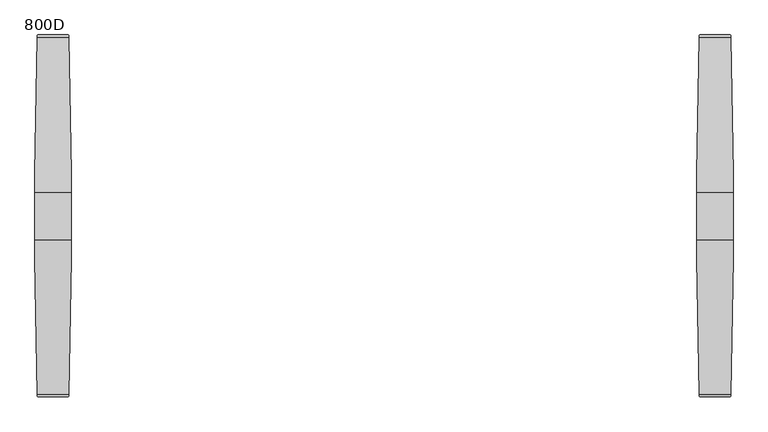
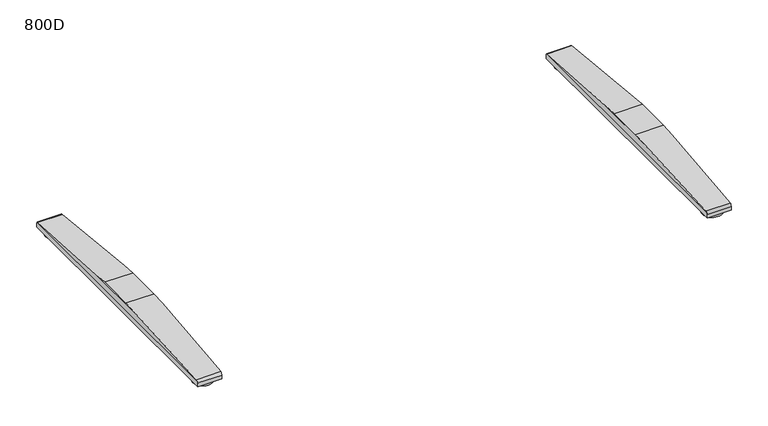
"""IFC4 building model written with IfcOpenShell, lengths in millimetres: furniture geometry, 800D."""

from ifc_helpers import new_model, si_unit, point, frame, frame_2d, origin, origin_with_axes, place, context, project, spatial, circle_curve, ellipse_curve, trimmed, segment, composite_curve, outline, extrude, source, transform, mapped, element, save
from ifc_brep_helpers import plane_surface, cylinder_surface, advanced_brep


def furniture_800d_f522eee3(model_context):
    return source(origin(), model_context, "Body", "SolidModel", [
        advanced_brep(
        [(605.0040816, -45.9999756, 50.0000004), (605.0040816, 45.9999756, 50.0000004), (605.0040816, 82.452717, 47.0022421), (605.0040816, -82.4527181, 47.0022421), (675.0, 45.9999756, 50.0000004), (675.0, -45.9999756, 50.0000004), (675.0, -82.6981674, 46.9820571), (675.0, 82.6981662, 46.9820571), (670.6498787, 344.4917542, 25.4529794), (609.3582815, 344.4917542, 25.4529794), (609.3582815, -344.4917633, 25.4529794), (670.6498787, -344.4917633, 25.4529794), (610.0539142, -349.4372123, 22.0102408), (610.0539142, -350.0000027, 19.4731654), (669.954246, -350.0000027, 19.4731654), (669.954246, -349.4372123, 22.0102408), (610.0539142, -350.0000027, 10.0000005), (669.954246, -350.0000027, 10.0000005), (610.0539142, 349.9999913, 10.0000005), (669.954246, 349.9999913, 10.0000005), (610.0539142, 349.9999913, 19.4731679), (669.954246, 349.9999913, 19.4731679), (610.0539142, 349.4372019, 22.0102408), (669.954246, 349.4372019, 22.0102408)],
        [
            (0, 1),
            (1, 2),
            (2, 3),
            (3, 0),
            (4, 5),
            (5, 6),
            (6, 7),
            (7, 4),
            (1, 4),
            (7, 8),
            (8, 9),
            (9, 2),
            (0, 5),
            (3, 10),
            (10, 11),
            (11, 6),
            (10, 12, ellipse_curve(frame((610.5665505, -344.0000023, 19.4731654), z_axis=(0.9801908372046193, 0.0, 0.19805535251567286), x_axis=(-0.1980553525156731, 0.0, 0.9801908372046193)), 6.1212573, 6.0000004)),
            (12, 13, circle_curve(frame((610.0539142, -344.0000023, 19.4731654), z_axis=(1.0, 0.0, 0.0), x_axis=(0.0, 1.0, 0.0)), 6.0000004)),
            (13, 14),
            (14, 15, circle_curve(frame((669.954246, -344.0000023, 19.4731654), z_axis=(-1.0, 0.0, 0.0), x_axis=(0.0, 1.0, 0.0)), 6.0000004)),
            (15, 11, ellipse_curve(frame((669.4416097, -344.0000023, 19.4731654), z_axis=(-0.9801908372046148, 0.0, 0.19805535251569575), x_axis=(-0.1980553525156951, 0.0, -0.9801908372046149)), 6.1212573, 6.0000004)),
            (13, 16),
            (16, 17),
            (17, 14),
            (16, 18),
            (18, 19),
            (19, 17),
            (18, 20),
            (20, 21),
            (21, 19),
            (20, 22, circle_curve(frame((610.0539142, 343.9999934, 19.4731679), z_axis=(1.0, 0.0, 0.0), x_axis=(0.0, 1.0, 0.0)), 5.9999979)),
            (22, 9, ellipse_curve(frame((610.56655, 343.9999934, 19.4731679), z_axis=(0.9801908372046193, 0.0, 0.19805535251567286), x_axis=(-0.1980553525156731, 0.0, 0.9801908372046193)), 6.1212548, 5.9999979)),
            (8, 23, ellipse_curve(frame((669.4416102, 343.9999934, 19.4731679), z_axis=(-0.9801908372046148, 0.0, 0.19805535251569575), x_axis=(-0.1980553525156951, 0.0, -0.9801908372046149)), 6.1212548, 5.9999979)),
            (23, 21, circle_curve(frame((669.954246, 343.9999934, 19.4731679), z_axis=(-1.0, 0.0, 0.0), x_axis=(0.0, 1.0, 0.0)), 5.9999979)),
            (15, 23),
            (12, 22),
        ],
        [
            plane_surface(frame((605.0040816, 349.9999913, 19.4731679), z_axis=(-1.0, 0.0, 0.0), x_axis=(0.0, 0.0, -1.0))),
            plane_surface(frame((675.0, 349.9999913, 19.4731679), z_axis=(1.0, 0.0, 0.0), x_axis=(0.0, 0.0, 1.0))),
            plane_surface(frame((605.0040816, 45.9999756, 50.0000004), z_axis=(0.0, 0.08196016388479187, 0.996635606195152), x_axis=(1.0, 0.0, 0.0))),
            plane_surface(frame((605.0040816, -45.9999756, 50.0000004), z_axis=(0.0, 0.0, 1.0), x_axis=(1.0, 0.0, 0.0))),
            plane_surface(frame((605.0040816, -344.4917633, 25.4529794), z_axis=(0.0, -0.08196016140528317, 0.996635606399059), x_axis=(1.0, 0.0, 0.0))),
            cylinder_surface(frame((675.0, -344.0000023, 19.4731654), z_axis=(-1.0, 0.0, 0.0), x_axis=(0.0, 1.0, 0.0)), 6.0000004),
            plane_surface(frame((605.0040816, -350.0000027, 10.0000005), z_axis=(0.0, -1.0, 0.0), x_axis=(1.0, 0.0, 0.0))),
            plane_surface(frame((605.0040816, 349.9999913, 10.0000005), z_axis=(0.0, 0.0, -1.0), x_axis=(1.0, 0.0, 0.0))),
            plane_surface(frame((605.0040816, 349.9999913, 19.4731679), z_axis=(0.0, 1.0, 0.0), x_axis=(1.0, 0.0, 0.0))),
            cylinder_surface(frame((675.0, 343.9999934, 19.4731679), z_axis=(-1.0, 0.0, 0.0), x_axis=(0.0, 1.0, 0.0)), 5.9999979),
            plane_surface(frame((675.0, -350.0000027, 46.9820571), z_axis=(0.9801908372046148, 0.0, -0.19805535251569575), x_axis=(0.0, 1.0, 0.0))),
            plane_surface(frame((669.954246, -350.0000027, 22.0102408), z_axis=(1.0, 0.0, 0.0), x_axis=(0.0, 1.0, 0.0))),
            plane_surface(frame((610.0539142, -350.0000027, 10.0000005), z_axis=(-1.0, 0.0, 0.0), x_axis=(0.0, 1.0, 0.0))),
            plane_surface(frame((610.0539142, -350.0000027, 22.0102408), z_axis=(-0.9801908372046193, 0.0, -0.19805535251567286), x_axis=(0.0, 1.0, 0.0))),
        ],
        [
            (0, [[1, 2, 3, 4]]),
            (1, [[5, 6, 7, 8]]),
            (2, [[9, -8, 10, 11, 12, -2]]),
            (3, [[-1, 13, -5, -9]]),
            (4, [[-13, -4, 14, 15, 16, -6]]),
            (5, [[-15, 17, 18, 19, 20, 21]]),
            (6, [[-19, 22, 23, 24]]),
            (7, [[-23, 25, 26, 27]]),
            (8, [[-26, 28, 29, 30]]),
            (9, [[-29, 31, 32, -11, 33, 34]]),
            (10, [[35, -33, -10, -7, -16, -21]]),
            (11, [[-35, -20, -24, -27, -30, -34]]),
            (12, [[36, -31, -28, -25, -22, -18]]),
            (13, [[-36, -17, -14, -3, -12, -32]]),
        ],
    ),
        extrude(outline(composite_curve([segment(trimmed(circle_curve(frame_2d((640.0020408, 319.5181605)), 25.0), [point((665.0020408, 319.5181605))], [point((615.0020408, 319.5181605))], False, "CARTESIAN"), True, "CONTINUOUS"), segment(trimmed(circle_curve(frame_2d((640.0020408, 319.5181605)), 25.0), [point((615.0020408, 319.5181605))], [point((665.0020408, 319.5181605))], False, "CARTESIAN"), True, "CONTINUOUS")], self_intersect=False)), origin_with_axes(), (0.0, 0.0, 1.0), 10.0000005),
        extrude(outline(composite_curve([segment(trimmed(circle_curve(frame_2d((640.0020408, -319.5181605)), 25.0), [point((665.0020408, -319.5181605))], [point((615.0020408, -319.5181605))], False, "CARTESIAN"), True, "CONTINUOUS"), segment(trimmed(circle_curve(frame_2d((640.0020408, -319.5181605)), 25.0), [point((615.0020408, -319.5181605))], [point((665.0020408, -319.5181605))], False, "CARTESIAN"), True, "CONTINUOUS")], self_intersect=False)), origin_with_axes(), (0.0, 0.0, 1.0), 10.0000005),
        advanced_brep(
        [(-605.0040816, 45.9999756, 50.0000004), (-605.0040816, -45.9999756, 50.0000004), (-605.0040816, -82.4527181, 47.0022421), (-605.0040816, 82.452717, 47.0022421), (-675.0, -45.9999756, 50.0000004), (-675.0, 45.9999756, 50.0000004), (-675.0, 82.6981662, 46.9820571), (-675.0, -82.6981674, 46.9820571), (-609.3582815, 344.4917542, 25.4529794), (-670.6498787, 344.4917542, 25.4529794), (-670.6498787, -344.4917633, 25.4529794), (-609.3582815, -344.4917633, 25.4529794), (-669.954246, -349.4372123, 22.0102408), (-669.954246, -350.0000027, 19.4731654), (-610.0539142, -350.0000027, 19.4731654), (-610.0539142, -349.4372123, 22.0102408), (-669.954246, -350.0000027, 10.0000005), (-610.0539142, -350.0000027, 10.0000005), (-669.954246, 349.9999913, 10.0000005), (-610.0539142, 349.9999913, 10.0000005), (-669.954246, 349.9999913, 19.4731679), (-610.0539142, 349.9999913, 19.4731679), (-610.0539142, 349.4372019, 22.0102408), (-669.954246, 349.4372019, 22.0102408)],
        [
            (0, 1),
            (1, 2),
            (2, 3),
            (3, 0),
            (4, 5),
            (5, 6),
            (6, 7),
            (7, 4),
            (5, 0),
            (3, 8),
            (8, 9),
            (9, 6),
            (4, 1),
            (7, 10),
            (10, 11),
            (11, 2),
            (10, 12, ellipse_curve(frame((-669.4416097, -344.0000023, 19.4731654), z_axis=(0.980190837204615, 0.0, 0.19805535251569462), x_axis=(0.19805535251569453, 0.0, -0.980190837204615)), 6.1212573, 6.0000004)),
            (12, 13, circle_curve(frame((-669.954246, -344.0000023, 19.4731654), z_axis=(1.0, 0.0, 0.0), x_axis=(0.0, -1.0, 0.0)), 6.0000004)),
            (13, 14),
            (14, 15, circle_curve(frame((-610.0539142, -344.0000023, 19.4731654), z_axis=(-1.0, 0.0, 0.0), x_axis=(0.0, -1.0, 0.0)), 6.0000004)),
            (15, 11, ellipse_curve(frame((-610.5665505, -344.0000023, 19.4731654), z_axis=(-0.9801908372046182, 0.0, 0.19805535251567882), x_axis=(0.19805535251567835, 0.0, 0.9801908372046182)), 6.1212573, 6.0000004)),
            (13, 16),
            (16, 17),
            (17, 14),
            (16, 18),
            (18, 19),
            (19, 17),
            (18, 20),
            (20, 21),
            (21, 19),
            (8, 22, ellipse_curve(frame((-610.56655, 343.9999934, 19.4731679), z_axis=(-0.9801908372046182, 0.0, 0.19805535251567882), x_axis=(0.19805535251567835, 0.0, 0.9801908372046182)), 6.1212548, 5.9999979)),
            (22, 21, circle_curve(frame((-610.0539142, 343.9999934, 19.4731679), z_axis=(-1.0, 0.0, 0.0), x_axis=(0.0, -1.0, 0.0)), 5.9999979)),
            (20, 23, circle_curve(frame((-669.954246, 343.9999934, 19.4731679), z_axis=(1.0, 0.0, 0.0), x_axis=(0.0, -1.0, 0.0)), 5.9999979)),
            (23, 9, ellipse_curve(frame((-669.4416102, 343.9999934, 19.4731679), z_axis=(0.980190837204615, 0.0, 0.19805535251569462), x_axis=(0.19805535251569453, 0.0, -0.980190837204615)), 6.1212548, 5.9999979)),
            (23, 12),
            (22, 15),
        ],
        [
            plane_surface(frame((-605.0040816, 46.2454694, 49.9798118), z_axis=(1.0, 0.0, 0.0), x_axis=(0.0, -0.996635606195152, 0.08196016388479188))),
            plane_surface(frame((-675.0, 46.2454694, 49.9798118), z_axis=(-1.0, 0.0, 0.0), x_axis=(0.0, 0.996635606195152, -0.08196016388479188))),
            plane_surface(frame((-605.0040816, 344.4917542, 25.4529794), z_axis=(0.0, 0.08196016388479188, 0.996635606195152), x_axis=(-1.0, 0.0, 0.0))),
            plane_surface(frame((-605.0040816, 45.9999756, 50.0000004), z_axis=(0.0, 0.0, 1.0), x_axis=(-1.0, 0.0, 0.0))),
            plane_surface(frame((-605.0040816, -45.9999756, 50.0000004), z_axis=(0.0, -0.0819601614052832, 0.996635606399059), x_axis=(-1.0, 0.0, 0.0))),
            cylinder_surface(frame((-675.0, -344.0000023, 19.4731654), z_axis=(1.0, 0.0, 0.0), x_axis=(0.0, -1.0, 0.0)), 6.0000004),
            plane_surface(frame((-605.0040816, -350.0000027, 19.4731654), z_axis=(0.0, -1.0, 0.0), x_axis=(-1.0, 0.0, 0.0))),
            plane_surface(frame((-605.0040816, -350.0000027, 10.0000005), z_axis=(0.0, 0.0, -1.0), x_axis=(-1.0, 0.0, 0.0))),
            plane_surface(frame((-605.0040816, 349.9999913, 10.0000005), z_axis=(0.0, 1.0, 0.0), x_axis=(-1.0, 0.0, 0.0))),
            cylinder_surface(frame((-675.0, 343.9999934, 19.4731679), z_axis=(1.0, 0.0, 0.0), x_axis=(0.0, -1.0, 0.0)), 5.9999979),
            plane_surface(frame((-669.954246, -350.0000027, 22.0102408), z_axis=(-0.980190837204615, 0.0, -0.19805535251569462), x_axis=(0.0, 1.0, 0.0))),
            plane_surface(frame((-669.954246, -350.0000027, 10.0000005), z_axis=(-1.0, 0.0, 0.0), x_axis=(0.0, 1.0, 0.0))),
            plane_surface(frame((-610.0539142, -350.0000027, 22.0102408), z_axis=(1.0, 0.0, 0.0), x_axis=(0.0, 1.0, 0.0))),
            plane_surface(frame((-605.0040816, -350.0000027, 47.0022421), z_axis=(0.9801908372046182, 0.0, -0.19805535251567882), x_axis=(0.0, 1.0, 0.0))),
        ],
        [
            (0, [[1, 2, 3, 4]]),
            (1, [[5, 6, 7, 8]]),
            (2, [[9, -4, 10, 11, 12, -6]]),
            (3, [[-1, -9, -5, 13]]),
            (4, [[-13, -8, 14, 15, 16, -2]]),
            (5, [[-15, 17, 18, 19, 20, 21]]),
            (6, [[-19, 22, 23, 24]]),
            (7, [[-23, 25, 26, 27]]),
            (8, [[-26, 28, 29, 30]]),
            (9, [[-11, 31, 32, -29, 33, 34]]),
            (10, [[35, -17, -14, -7, -12, -34]]),
            (11, [[-35, -33, -28, -25, -22, -18]]),
            (12, [[36, -20, -24, -27, -30, -32]]),
            (13, [[-36, -31, -10, -3, -16, -21]]),
        ],
    ),
        extrude(outline(composite_curve([segment(trimmed(circle_curve(frame_2d((-640.0020408, 319.5181605)), 25.0), [point((-665.0020408, 319.5181605))], [point((-615.0020408, 319.5181605))], False, "CARTESIAN"), True, "CONTINUOUS"), segment(trimmed(circle_curve(frame_2d((-640.0020408, 319.5181605)), 25.0), [point((-615.0020408, 319.5181605))], [point((-665.0020408, 319.5181605))], False, "CARTESIAN"), True, "CONTINUOUS")], self_intersect=False)), origin_with_axes(), (0.0, 0.0, 1.0), 10.0000005),
        extrude(outline(composite_curve([segment(trimmed(circle_curve(frame_2d((-640.0020408, -319.5181605)), 25.0), [point((-665.0020408, -319.5181605))], [point((-615.0020408, -319.5181605))], False, "CARTESIAN"), True, "CONTINUOUS"), segment(trimmed(circle_curve(frame_2d((-640.0020408, -319.5181605)), 25.0), [point((-615.0020408, -319.5181605))], [point((-665.0020408, -319.5181605))], False, "CARTESIAN"), True, "CONTINUOUS")], self_intersect=False)), origin_with_axes(), (0.0, 0.0, 1.0), 10.0000005),
    ])


if __name__ == "__main__":
    model = new_model("IFC4")
    model_context = context("Model", 3, world=origin())
    ifc_project = project(units=[si_unit("LENGTHUNIT", "METRE", prefix="MILLI")], contexts=[model_context])
    site = spatial("IfcSite", under=ifc_project)
    building = spatial("IfcBuilding", under=site)
    placement = place(None, origin())
    furniture_800d_shape = furniture_800d_f522eee3(model_context)
    element("IfcFurniture", 1, ObjectType="800D", at=placement, inside=building, context=model_context, shape_type="MappedRepresentation", body=[
        mapped(furniture_800d_shape, transform((0.0, 0.0, 0.0), x_axis=(1.0, 0.0, 0.0), y_axis=(0.0, 1.0, 0.0), z_axis=(0.0, 0.0, 1.0))),
    ])
    save(model, "model.ifc")
